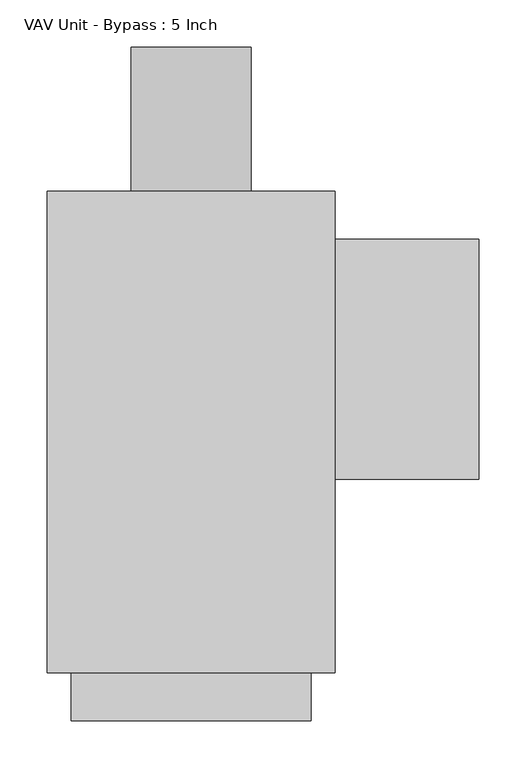
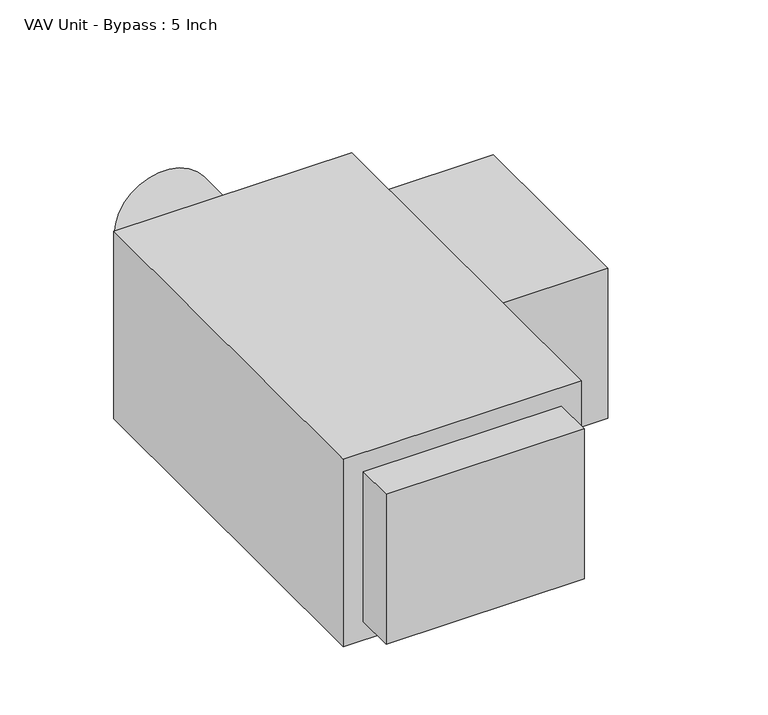
"""IFC4 building model written with IfcOpenShell, lengths in millimetres: proxy geometry, VAV Unit - Bypass : 5 Inch."""

from ifc_helpers import new_model, si_unit, point, frame, origin, origin_2d, place, context, project, spatial, polyline, circle_curve, trimmed, segment, composite_curve, outline, extrude, source, transform, mapped, element, save


def vav_unit_bypass_5_inch_77e3fede(model_context):
    return source(origin(), model_context, "Body", "SweptSolid", [
        extrude(outline(polyline([(304.8, 203.99375), (304.8, -50.00625), (152.4, -50.00625), (152.4, 203.99375), (304.8, 203.99375)])), frame((0.0, 0.0, -101.6), z_axis=(0.0, 0.0, 1.0), x_axis=(1.0, 0.0, 0.0)), (0.0, 0.0, 1.0), 203.2),
        extrude(outline(composite_curve([segment(trimmed(circle_curve(origin_2d(), 63.5), [point((0.0, -63.5))], [point((0.0, 63.5))], False, "CARTESIAN"), True, "CONTINUOUS"), segment(trimmed(circle_curve(origin_2d(), 63.5), [point((0.0, 63.5))], [point((0.0, -63.5))], False, "CARTESIAN"), True, "CONTINUOUS")], self_intersect=False)), frame((0.0, 254.79375, 0.0), z_axis=(0.0, 1.0, 0.0), x_axis=(0.0, 0.0, 1.0)), (0.0, 0.0, 1.0), 152.4),
        extrude(outline(polyline([(127.0, -305.59375), (-127.0, -305.59375), (-127.0, -254.79375), (127.0, -254.79375), (127.0, -305.59375)])), frame((0.0, 0.0, -101.6), z_axis=(0.0, 0.0, 1.0), x_axis=(1.0, 0.0, 0.0)), (0.0, 0.0, 1.0), 203.2),
        extrude(outline(polyline([(152.4, -254.79375), (-152.4, -254.79375), (-152.4, 254.79375), (152.4, 254.79375), (152.4, -254.79375)])), frame((0.0, 0.0, -127.0), z_axis=(0.0, 0.0, 1.0), x_axis=(1.0, 0.0, 0.0)), (0.0, 0.0, 1.0), 254.0),
    ])


if __name__ == "__main__":
    model = new_model("IFC4")
    model_context = context("Model", 3, world=origin())
    ifc_project = project(units=[si_unit("LENGTHUNIT", "METRE", prefix="MILLI")], contexts=[model_context])
    site = spatial("IfcSite", under=ifc_project)
    building = spatial("IfcBuilding", under=site)
    placement = place(None, origin())
    vav_unit_bypass_5_inch_shape = vav_unit_bypass_5_inch_77e3fede(model_context)
    element("IfcBuildingElementProxy", 1, Name="VAV Unit - Bypass : 5 Inch", ObjectType="VAV Unit - Bypass : 5 Inch", at=placement, inside=building, context=model_context, shape_type="MappedRepresentation", body=[
        mapped(vav_unit_bypass_5_inch_shape, transform((0.0, 0.0, 0.0), x_axis=(1.0, 0.0, 0.0), y_axis=(0.0, 1.0, 0.0), z_axis=(0.0, 0.0, 1.0))),
    ])
    save(model, "model.ifc")
